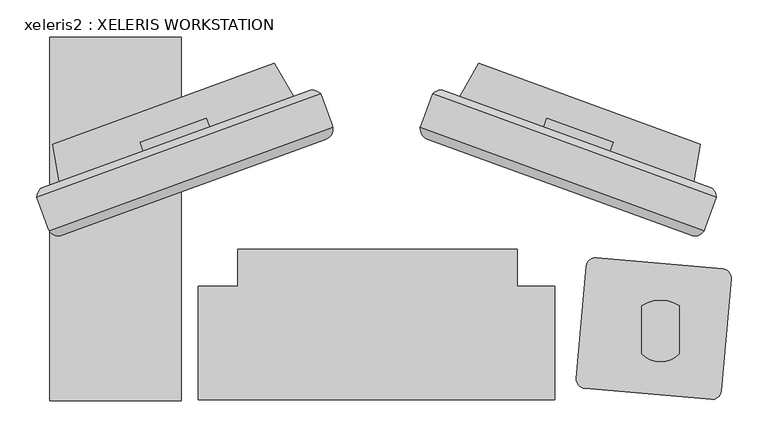
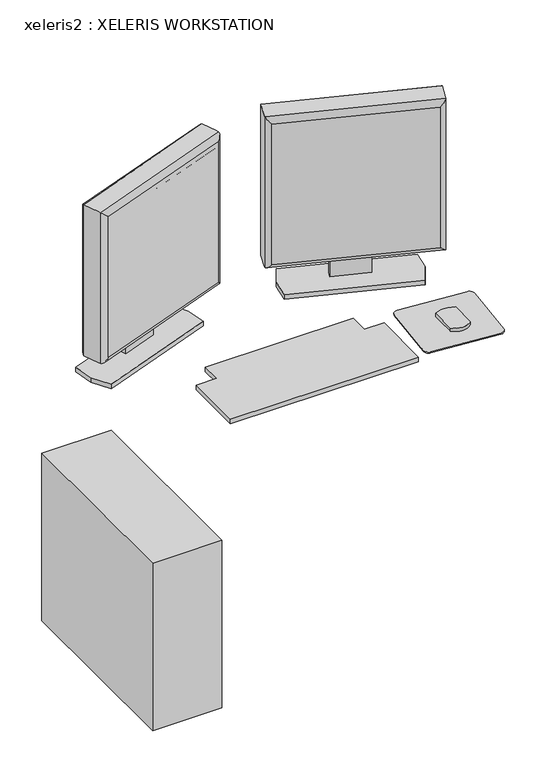
"""IFC4 building model written with IfcOpenShell, lengths in millimetres: proxy geometry, xeleris2 : XELERIS WORKSTATION."""

import ifcopenshell
import ifcopenshell.guid

model = None  # the IFC model being written
_history = None  # IfcOwnerHistory: only IFC2X3 demands one
_inside = {}  # id of a spatial element -> (the spatial element, [elements in it])
_under = {}  # id of a project, library or spatial element -> (it, [spatial elements below it])
_declared = {}  # id of a project -> (the project, [libraries it declares])
_typed = {}  # id of a type object -> (the type object, [elements of that type])
_made_of = {}  # id of a material, layer set ... -> (it, [elements and type objects made of it])


def new_model(schema):
    """Start an empty IFC model of exactly this schema.

    Asked for "IFC4X3", IfcOpenShell would pick the latest addendum, in which some entities
    have other attributes; the version numbers below select the first issue.
    IFC2X3 requires an IfcOwnerHistory on every rooted entity: one is made here for all.
    """
    global model, _history
    if schema == "IFC4X3":
        model = ifcopenshell.file(schema_version=(4, 3, 0, 0))
    else:
        model = ifcopenshell.file(schema=schema)
    _inside.clear()
    _under.clear()
    _declared.clear()
    _typed.clear()
    _made_of.clear()
    _history = None
    if model.schema == "IFC2X3":
        org = make("IfcOrganization", Name="unknown")
        user = make(
            "IfcPersonAndOrganization",
            ThePerson=make("IfcPerson", FamilyName="unknown"),
            TheOrganization=org,
        )
        app = make(
            "IfcApplication",
            ApplicationDeveloper=org,
            Version="unknown",
            ApplicationFullName="unknown",
            ApplicationIdentifier="unknown",
        )
        _history = make(
            "IfcOwnerHistory",
            OwningUser=user,
            OwningApplication=app,
            ChangeAction="ADDED",
            CreationDate=0,
        )
    return model


def make(cls, **values):
    """One entity of the class cls with the attributes given. An attribute that is None is left unset."""
    return model.create_entity(
        cls, **{name: value for name, value in values.items() if value is not None}
    )


def rooted(cls, **values):
    """An entity with a GlobalId (a new one), such as an element, a storey or a relation."""
    return make(cls, GlobalId=ifcopenshell.guid.new(), OwnerHistory=_history, **values)


def si_unit(unit_type, name, prefix=None):
    """IfcSIUnit, for example si_unit("LENGTHUNIT", "METRE", prefix="MILLI")."""
    return make("IfcSIUnit", UnitType=unit_type, Prefix=prefix, Name=name)


def assignment(units):
    """IfcUnitAssignment: the units of a project."""
    return None if units is None else make("IfcUnitAssignment", Units=units)


def point(xyz):
    """IfcCartesianPoint."""
    return None if xyz is None else make("IfcCartesianPoint", Coordinates=xyz)


def direction(xyz):
    """IfcDirection."""
    return None if xyz is None else make("IfcDirection", DirectionRatios=xyz)


def frame(location, z_axis=None, x_axis=None):
    """IfcAxis2Placement3D, a coordinate frame: its origin and axes. An axis left out is left unset."""
    return make(
        "IfcAxis2Placement3D",
        Location=point(location),
        Axis=direction(z_axis),
        RefDirection=direction(x_axis),
    )


def frame_2d(location, x_axis=None):
    """IfcAxis2Placement2D, a coordinate frame in the plane: its origin and x axis."""
    return make(
        "IfcAxis2Placement2D", Location=point(location), RefDirection=direction(x_axis)
    )


def origin():
    """The frame at (0, 0, 0) with its axes left unset."""
    return frame((0.0, 0.0, 0.0))


def origin_with_axes():
    """The frame at (0, 0, 0) with the z axis (0, 0, 1) and the x axis (1, 0, 0) written out."""
    return frame((0.0, 0.0, 0.0), z_axis=(0.0, 0.0, 1.0), x_axis=(1.0, 0.0, 0.0))


def place(relative_to, where):
    """IfcLocalPlacement: puts the frame where relative to a parent placement (None: the world)."""
    return make(
        "IfcLocalPlacement", PlacementRelTo=relative_to, RelativePlacement=where
    )


def context(
    kind, dimensions, precision=None, world=None, true_north=None, identifier=None
):
    """IfcGeometricRepresentationContext, for example the 3D "Model" context."""
    return make(
        "IfcGeometricRepresentationContext",
        ContextIdentifier=identifier,
        ContextType=kind,
        CoordinateSpaceDimension=dimensions,
        Precision=precision,
        WorldCoordinateSystem=world,
        TrueNorth=true_north,
    )


def project(units=None, contexts=None):
    """IfcProject with its units and contexts."""
    return rooted(
        "IfcProject",
        Name="project",
        RepresentationContexts=contexts,
        UnitsInContext=assignment(units),
    )


def spatial(cls, under=None, at=None, **own):
    """A site, building, storey or space (cls), placed at a placement, below another one or the project."""
    s = rooted(cls, ObjectPlacement=at, **own)
    if under is not None:
        _under.setdefault(under.id(), (under, []))[1].append(s)
    return s


def polyline(points):
    """IfcPolyline through the points."""
    return make("IfcPolyline", Points=[point(p) for p in points])


def circle_curve(where, radius):
    """IfcCircle in the frame where."""
    return make("IfcCircle", Position=where, Radius=radius)


def ellipse_curve(where, semi_axis1, semi_axis2):
    """IfcEllipse in the frame where."""
    return make(
        "IfcEllipse", Position=where, SemiAxis1=semi_axis1, SemiAxis2=semi_axis2
    )


def trimmed(basis, trim1, trim2, sense, master):
    """IfcTrimmedCurve: the piece of a basis curve between two trims."""
    return make(
        "IfcTrimmedCurve",
        BasisCurve=basis,
        Trim1=trim1,
        Trim2=trim2,
        SenseAgreement=sense,
        MasterRepresentation=master,
    )


def segment(curve, same_sense, transition):
    """IfcCompositeCurveSegment."""
    return make(
        "IfcCompositeCurveSegment",
        Transition=transition,
        SameSense=same_sense,
        ParentCurve=curve,
    )


def composite_curve(segments, self_intersect=None):
    """IfcCompositeCurve: segments joined end to end."""
    return make("IfcCompositeCurve", Segments=segments, SelfIntersect=self_intersect)


def outline(outer, holes=None, kind="AREA"):
    """IfcArbitraryClosedProfileDef: a profile drawn as a closed curve; with holes, ...WithVoids."""
    if holes is None:
        return make("IfcArbitraryClosedProfileDef", ProfileType=kind, OuterCurve=outer)
    return make(
        "IfcArbitraryProfileDefWithVoids",
        ProfileType=kind,
        OuterCurve=outer,
        InnerCurves=holes,
    )


def extrude(swept, where, along, depth):
    """IfcExtrudedAreaSolid: the profile swept, set in the frame where, extruded along a direction by depth."""
    return make(
        "IfcExtrudedAreaSolid",
        SweptArea=swept,
        Position=where,
        ExtrudedDirection=direction(along),
        Depth=depth,
    )


def shape(context_of_items, identifier, shape_type, items):
    """IfcShapeRepresentation: the items that make up one representation, for example the "Body"."""
    return make(
        "IfcShapeRepresentation",
        ContextOfItems=context_of_items,
        RepresentationIdentifier=identifier,
        RepresentationType=shape_type,
        Items=items,
    )


def source(mapping_origin, context_of_items, identifier, shape_type, items):
    """IfcRepresentationMap: a shape defined once, which mapped items show again and again."""
    return make(
        "IfcRepresentationMap",
        MappingOrigin=mapping_origin,
        MappedRepresentation=shape(context_of_items, identifier, shape_type, items),
    )


def transform(
    local_origin,
    x_axis=None,
    y_axis=None,
    z_axis=None,
    scale=None,
    scale2=None,
    scale3=None,
    uniform=True,
):
    """IfcCartesianTransformationOperator3D, or its non-uniform kind. x_axis, y_axis, z_axis: its Axis1, 2, 3."""
    if uniform:
        return make(
            "IfcCartesianTransformationOperator3D",
            Axis1=direction(x_axis),
            Axis2=direction(y_axis),
            LocalOrigin=point(local_origin),
            Scale=scale,
            Axis3=direction(z_axis),
        )
    return make(
        "IfcCartesianTransformationOperator3DnonUniform",
        Axis1=direction(x_axis),
        Axis2=direction(y_axis),
        LocalOrigin=point(local_origin),
        Scale=scale,
        Axis3=direction(z_axis),
        Scale2=scale2,
        Scale3=scale3,
    )


def mapped(mapping_source, mapping_target):
    """IfcMappedItem: shows the shape of a source again, moved by a transform."""
    return make(
        "IfcMappedItem", MappingSource=mapping_source, MappingTarget=mapping_target
    )


def made_of(thing, what):
    """Note that an element or type object is made of a material, layer set ...; save() writes the relation."""
    if what is not None:
        _made_of.setdefault(what.id(), (what, []))[1].append(thing)
    return thing


def element(
    cls,
    number,
    at=None,
    inside=None,
    cuts=None,
    type_object=None,
    material=None,
    context=None,
    identifier="Body",
    shape_type=None,
    held_by="IfcProductDefinitionShape",
    body=None,
    shapes=None,
    **own,
):
    """One element of the class cls, such as IfcWall. Its Tag is "e" and its number.

    at: its placement. inside: the storey or other place that contains it. cuts: it is an
    opening in that element (IfcRelVoidsElement). A single representation is given by context,
    identifier, shape_type and body (its items); several are given by shapes. held_by: the class
    of the entity that holds the representations. save() writes the other relations.
    """
    e = rooted(cls, Tag="e%d" % number, ObjectPlacement=at, **own)
    if body is not None:
        shapes = [shape(context, identifier, shape_type, body)]
    if shapes is not None:
        e.Representation = make(held_by, Representations=shapes)
    if inside is not None:
        _inside.setdefault(inside.id(), (inside, []))[1].append(e)
    if cuts is not None:
        rooted(
            "IfcRelVoidsElement", RelatingBuildingElement=cuts, RelatedOpeningElement=e
        )
    if type_object is not None:
        _typed.setdefault(type_object.id(), (type_object, []))[1].append(e)
    return made_of(e, material)


def aggregate(whole, parts):
    """IfcRelAggregates: a whole, such as a stair, and the parts it consists of."""
    return rooted("IfcRelAggregates", RelatingObject=whole, RelatedObjects=parts)


def save(model, path):
    """Write the relations noted so far, then the file.

    IfcRelAggregates (storeys below a building ...), IfcRelContainedInSpatialStructure (elements
    in a storey), IfcRelDefinesByType, IfcRelAssociatesMaterial and IfcRelDeclares: one each for
    every whole, place, type object, material and project.
    """
    for whole, parts in _under.values():
        aggregate(whole, parts)
    for where, things in _inside.values():
        rooted(
            "IfcRelContainedInSpatialStructure",
            RelatedElements=things,
            RelatingStructure=where,
        )
    for kind, things in _typed.values():
        rooted("IfcRelDefinesByType", RelatedObjects=things, RelatingType=kind)
    for what, things in _made_of.values():
        rooted("IfcRelAssociatesMaterial", RelatedObjects=things, RelatingMaterial=what)
    for by, libraries in _declared.values():
        rooted("IfcRelDeclares", RelatingContext=by, RelatedDefinitions=libraries)
    model.write(path)


def plane_surface(at):
    """IfcPlane: the flat surface through the origin of the frame at, square to its z axis."""
    return make("IfcPlane", Position=at)


def cylinder_surface(at, radius):
    """IfcCylindricalSurface: all points at the distance radius from the z axis of the frame at."""
    return make("IfcCylindricalSurface", Position=at, Radius=radius)


def advanced_brep(points, edges, surfaces, faces):
    """IfcAdvancedBrep: a solid bounded by faces that lie on surfaces and meet in shared edges.

    An edge is (start, end): straight between two places in points (the first is 0);
    or (start, end, curve); or (start, end, curve, False) where it runs against its curve.
    A face is (place in surfaces, loops), or (place, loops, False) where it looks against
    its surface's normal. A loop lists edges by number (the first is 1), with a minus sign
    where the edge is run from its end to its start. The first loop is the outer one.
    """
    corners = [point(p) for p in points]
    vertices = [make("IfcVertexPoint", VertexGeometry=c) for c in corners]
    made = []
    for start, end, *more in edges:
        made.append(
            make(
                "IfcEdgeCurve",
                EdgeStart=vertices[start],
                EdgeEnd=vertices[end],
                EdgeGeometry=more[0] if more else make("IfcPolyline", Points=[corners[start], corners[end]]),
                SameSense=more[1] if len(more) > 1 else True,
            )
        )
    hull = []
    for where, loops, *sense in faces:
        bounds = []
        for j, loop in enumerate(loops):
            ring = [make("IfcOrientedEdge", EdgeElement=made[abs(k) - 1], Orientation=k > 0) for k in loop]
            bounds.append(
                make(
                    "IfcFaceOuterBound" if j == 0 else "IfcFaceBound",
                    Bound=make("IfcEdgeLoop", EdgeList=ring),
                    Orientation=True,
                )
            )
        hull.append(make("IfcAdvancedFace", Bounds=bounds, FaceSurface=surfaces[where], SameSense=sense[0] if sense else True))
    return make("IfcAdvancedBrep", Outer=make("IfcClosedShell", CfsFaces=hull))


def xeleris2_xeleris_workstation_ebfd1f20(model_context):
    return source(origin(), model_context, "Body", "SolidModel", [
        advanced_brep(
        [(-90.9446481, -1035.6372466, 1267.46), (-105.6962097, -1076.1668289, 1267.46), (-107.405299, -1080.8625132, 1267.46), (276.8726013, -1220.7282306, 1267.46), (278.5816906, -1216.0325463, 1267.46), (293.3332522, -1175.502964, 1267.46), (293.3332522, -1175.502964, 857.8963264), (278.5816906, -1216.0325463, 857.8963264), (276.8726013, -1220.7282306, 857.8963264), (-107.405299, -1080.8625132, 857.8963264), (-105.6962097, -1076.1668289, 857.8963264), (-90.9446481, -1035.6372466, 857.8963264), (-79.1046522, -1030.1161658, 867.1339624), (-79.1046522, -1030.1161658, 1258.222364), (287.8121714, -1163.6629681, 1258.222364), (287.8121714, -1163.6629681, 867.1339624), (-98.1600178, -1096.8745469, 1253.294569), (-98.1600178, -1096.8745469, 872.0617574), (259.4967744, -1227.0509733, 872.060487), (259.4979681, -1227.0514078, 1253.294569)],
        [
            (0, 1),
            (1, 2),
            (2, 3),
            (3, 4),
            (4, 5),
            (5, 0),
            (6, 7),
            (7, 8),
            (8, 9),
            (9, 10),
            (10, 11),
            (11, 6),
            (12, 13),
            (13, 14),
            (14, 15),
            (15, 12),
            (0, 11),
            (9, 2),
            (16, 17),
            (17, 18),
            (18, 19),
            (19, 16),
            (3, 8),
            (6, 5),
            (12, 11, ellipse_curve(frame((-78.1538849, -1047.6111099, 874.0110147), z_axis=(-0.6644630243886689, 0.2418447626479841, 0.70710678118655), x_axis=(-0.6644630243886734, 0.24184476264798585, -0.707106781186545)), 24.7780962, 17.5207599)),
            (0, 13, ellipse_curve(frame((-78.1538849, -1047.6111099, 1251.3453117), z_axis=(-0.6644630243886734, 0.24184476264798593, -0.707106781186545), x_axis=(0.6644630243886689, -0.24184476264798418, -0.70710678118655)), 24.7780962, 17.5207599)),
            (16, 2, ellipse_curve(frame((-93.2407971, -1083.3590993, 1253.2958394), z_axis=(-0.6644630243886734, 0.24184476264798593, -0.707106781186545), x_axis=(0.6644630243886689, -0.24184476264798418, -0.70710678118655)), 20.3404059, 14.3828389)),
            (9, 17, ellipse_curve(frame((-93.2407971, -1083.3590993, 872.060487), z_axis=(-0.6644630243886689, 0.2418447626479841, 0.70710678118655), x_axis=(-0.6644630243886734, 0.24184476264798585, -0.707106781186545)), 20.3404059, 14.3828389)),
            (15, 6, ellipse_curve(frame((275.8383081, -1176.4537313, 874.0110147), z_axis=(-0.6644630243886736, 0.24184476264798574, -0.707106781186545), x_axis=(0.6644630243886689, -0.2418447626479842, -0.70710678118655)), 24.7780962, 17.5207599)),
            (8, 18, ellipse_curve(frame((264.4171888, -1213.5359602, 872.060487), z_axis=(-0.6644630243886736, 0.24184476264798574, -0.707106781186545), x_axis=(0.6644630243886689, -0.2418447626479842, -0.70710678118655)), 20.3404059, 14.3828389)),
            (14, 5, ellipse_curve(frame((275.8383081, -1176.4537313, 1251.3453117), z_axis=(0.6644630243886687, -0.2418447626479843, -0.70710678118655), x_axis=(0.6644630243886733, -0.24184476264798585, 0.707106781186545)), 24.7780962, 17.5207599)),
            (3, 19, ellipse_curve(frame((264.4171888, -1213.5359602, 1253.2958394), z_axis=(0.6644630243886687, -0.2418447626479843, -0.70710678118655), x_axis=(0.6644630243886733, -0.24184476264798585, 0.707106781186545)), 20.3404059, 14.3828389)),
        ],
        [
            plane_surface(frame((-83.011552, -1028.6941706, 1267.46), z_axis=(0.0, 0.0, 1.0000000000000002), x_axis=(-0.9396926207859057, 0.34202014332567654, 0.0))),
            plane_surface(frame((-83.011552, -1028.6941706, 857.8963264), z_axis=(0.0, 0.0, -1.0000000000000002), x_axis=(0.9396926207859057, -0.34202014332567654, 0.0))),
            plane_surface(frame((296.4927098, -1166.8224256, 1267.46), z_axis=(0.34202014332567654, 0.9396926207859057, 0.0), x_axis=(0.0, 0.0, -1.0))),
            plane_surface(frame((-87.7851906, -1026.9567082, 1267.46), z_axis=(-0.9396926207859045, 0.3420201433256795, 0.0), x_axis=(0.0, 0.0, -1.0))),
            plane_surface(frame((-111.469975, -1092.0301186, 1267.46), z_axis=(-0.34202014332567654, -0.9396926207859057, 0.0), x_axis=(0.0, 0.0, -1.0))),
            plane_surface(frame((272.8079254, -1231.895836, 1267.46), z_axis=(0.9396926207859042, -0.34202014332568037, 0.0), x_axis=(0.0, 0.0, -1.0))),
            cylinder_surface(frame((-78.1538849, -1047.6111099, 1267.46), z_axis=(0.0, 0.0, -1.0), x_axis=(0.3420201433256824, 0.9396926207859034, 0.0)), 17.5207599),
            cylinder_surface(frame((-93.2407971, -1083.3590993, 1267.46), z_axis=(0.0, 0.0, -1.0), x_axis=(0.3420201433256824, 0.9396926207859034, 0.0)), 14.3828389),
            cylinder_surface(frame((-93.2967386, -1042.0995619, 874.0110147), z_axis=(0.9396926207859034, -0.3420201433256825, 0.0), x_axis=(0.3420201433256825, 0.9396926207859034, 0.0)), 17.5207599),
            cylinder_surface(frame((-106.5507544, -1078.514671, 872.060487), z_axis=(0.9396926207859034, -0.3420201433256825, 0.0), x_axis=(0.3420201433256825, 0.9396926207859034, 0.0)), 14.3828389),
            cylinder_surface(frame((275.8383081, -1176.4537313, 857.8963264), z_axis=(0.0, 0.0, 1.0), x_axis=(0.3420201433256826, 0.9396926207859033, 0.0)), 17.5207599),
            cylinder_surface(frame((264.4171888, -1213.5359602, 857.8963264), z_axis=(0.0, 0.0, 1.0), x_axis=(0.3420201433256826, 0.9396926207859033, 0.0)), 14.3828389),
            cylinder_surface(frame((290.9811618, -1181.9652793, 1251.3453117), z_axis=(-0.9396926207859033, 0.3420201433256826, 0.0), x_axis=(0.3420201433256826, 0.9396926207859033, 0.0)), 17.5207599),
            cylinder_surface(frame((277.727146, -1218.3803884, 1253.2958394), z_axis=(-0.9396926207859033, 0.3420201433256826, 0.0), x_axis=(0.3420201433256826, 0.9396926207859033, 0.0)), 14.3828389),
        ],
        [
            (0, [[1, 2, 3, 4, 5, 6]]),
            (1, [[7, 8, 9, 10, 11, 12]]),
            (2, [[13, 14, 15, 16]]),
            (3, [[-1, 17, -11, -10, 18, -2]]),
            (4, [[19, 20, 21, 22]]),
            (5, [[-5, -4, 23, -8, -7, 24]]),
            (6, [[25, -17, 26, -13]]),
            (7, [[27, -18, 28, -19]]),
            (8, [[-25, -16, 29, -12]]),
            (9, [[30, -20, -28, -9]]),
            (10, [[-29, -15, 31, -24]]),
            (11, [[32, -21, -30, -23]]),
            (12, [[-26, -6, -31, -14]]),
            (13, [[-27, -22, -32, -3]]),
        ],
    ),
        extrude(outline(polyline([(-85.5791508, -1095.1602957), (250.9623644, -1217.6513898), (248.9397328, -1223.2085244), (-87.6017824, -1100.7174302), (-85.5791508, -1095.1602957)])), frame((0.0, 0.0, 883.2963264), z_axis=(0.0, 0.0, 1.0), x_axis=(1.0, 0.0, 0.0)), (0.0, 0.0, 1.0), 358.7636736),
        extrude(outline(polyline([(0.0, -12.6811713), (0.0, 0.0), (216.7454432, 0.0), (216.7454432, -2.7372324), (229.4454432, -2.7372324), (229.4454432, 0.0), (309.6640325, 0.0), (309.6640325, -12.6811713), (0.0, -12.6811713)])), frame((149.1066207, -1113.1782763, 1083.8794056), z_axis=(-0.939692620785905, 0.3420201433256782, 0.0), x_axis=(0.0, 0.0, -1.0)), (0.0, 0.0, 1.0), 95.25),
        advanced_brep(
        [(-626.7210308, -1175.502964, 1267.46), (-611.9694692, -1216.0325463, 1267.46), (-610.2603799, -1220.7282306, 1267.46), (-225.9824796, -1080.8625132, 1267.46), (-227.6915689, -1076.1668289, 1267.46), (-242.4431304, -1035.6372466, 1267.46), (-242.4431304, -1035.6372466, 857.8963264), (-227.6915689, -1076.1668289, 857.8963264), (-225.9824796, -1080.8625132, 857.8963264), (-610.2603799, -1220.7282306, 857.8963264), (-611.9694692, -1216.0325463, 857.8963264), (-626.7210308, -1175.502964, 857.8963264), (-621.19995, -1163.6629681, 867.1339624), (-621.19995, -1163.6629681, 1258.222364), (-254.2831264, -1030.1161658, 1258.222364), (-254.2831264, -1030.1161658, 867.1339624), (-592.8857467, -1227.0514078, 1253.294569), (-592.8857467, -1227.0514078, 872.0617574), (-235.2289546, -1096.8749814, 872.060487), (-235.2277608, -1096.8745469, 1253.294569)],
        [
            (0, 1),
            (1, 2),
            (2, 3),
            (3, 4),
            (4, 5),
            (5, 0),
            (6, 7),
            (7, 8),
            (8, 9),
            (9, 10),
            (10, 11),
            (11, 6),
            (12, 13),
            (13, 14),
            (14, 15),
            (15, 12),
            (0, 11),
            (9, 2),
            (16, 17),
            (17, 18),
            (18, 19),
            (19, 16),
            (3, 8),
            (6, 5),
            (12, 11, ellipse_curve(frame((-609.2260867, -1176.4537313, 874.0110147), z_axis=(-0.6644630243886763, -0.24184476264796353, 0.70710678118655), x_axis=(-0.6644630243886809, -0.24184476264796534, -0.707106781186545)), 24.7780962, 17.5207599)),
            (0, 13, ellipse_curve(frame((-609.2260867, -1176.4537313, 1251.3453117), z_axis=(-0.6644630243886809, -0.24184476264796553, -0.707106781186545), x_axis=(0.6644630243886762, 0.24184476264796365, -0.70710678118655)), 24.7780962, 17.5207599)),
            (16, 2, ellipse_curve(frame((-597.8049673, -1213.5359602, 1253.2958394), z_axis=(-0.6644630243886809, -0.24184476264796553, -0.707106781186545), x_axis=(0.6644630243886762, 0.24184476264796365, -0.70710678118655)), 20.3404059, 14.3828389)),
            (9, 17, ellipse_curve(frame((-597.8049673, -1213.5359602, 872.060487), z_axis=(-0.6644630243886763, -0.24184476264796353, 0.70710678118655), x_axis=(-0.6644630243886809, -0.24184476264796534, -0.707106781186545)), 20.3404059, 14.3828389)),
            (15, 6, ellipse_curve(frame((-255.2338937, -1047.6111099, 874.0110147), z_axis=(-0.664463024388681, -0.24184476264796523, -0.7071067811865449), x_axis=(0.6644630243886763, 0.2418447626479637, -0.7071067811865499)), 24.7780962, 17.5207599)),
            (8, 18, ellipse_curve(frame((-240.1469815, -1083.3590993, 872.060487), z_axis=(-0.664463024388681, -0.24184476264796523, -0.7071067811865449), x_axis=(0.6644630243886763, 0.2418447626479637, -0.7071067811865499)), 20.3404059, 14.3828389)),
            (14, 5, ellipse_curve(frame((-255.2338937, -1047.6111099, 1251.3453117), z_axis=(0.6644630243886762, 0.24184476264796384, -0.7071067811865498), x_axis=(0.6644630243886805, 0.24184476264796526, 0.7071067811865455)), 24.7780962, 17.5207599)),
            (3, 19, ellipse_curve(frame((-240.1469815, -1083.3590993, 1253.2958394), z_axis=(0.6644630243886762, 0.24184476264796384, -0.7071067811865498), x_axis=(0.6644630243886805, 0.24184476264796526, 0.7071067811865455)), 20.3404059, 14.3828389)),
        ],
        [
            plane_surface(frame((-625.1068499, -1165.0849633, 1267.46), z_axis=(0.0, 0.0, 1.0000000000000002), x_axis=(-0.9396926207859119, -0.3420201433256595, 0.0))),
            plane_surface(frame((-625.1068499, -1165.0849633, 857.8963264), z_axis=(0.0, 0.0, -1.0000000000000002), x_axis=(0.9396926207859119, 0.3420201433256595, 0.0))),
            plane_surface(frame((-245.602588, -1026.9567082, 1267.46), z_axis=(-0.3420201433256595, 0.9396926207859119, 0.0), x_axis=(0.0, 0.0, -1.0))),
            plane_surface(frame((-629.8804884, -1166.8224256, 1267.46), z_axis=(-0.9396926207859122, -0.34202014332565855, 0.0), x_axis=(0.0, 0.0, -1.0))),
            plane_surface(frame((-606.1957039, -1231.895836, 1267.46), z_axis=(0.3420201433256596, -0.9396926207859118, 0.0), x_axis=(0.0, 0.0, -1.0))),
            plane_surface(frame((-221.9178036, -1092.0301186, 1267.46), z_axis=(0.9396926207859126, 0.3420201433256572, 0.0), x_axis=(0.0, 0.0, -1.0))),
            cylinder_surface(frame((-609.2260867, -1176.4537313, 1267.46), z_axis=(0.0, 0.0, -1.0000000000000002), x_axis=(-0.34202014332565345, 0.9396926207859141, 0.0)), 17.5207599),
            cylinder_surface(frame((-597.8049673, -1213.5359602, 1267.46), z_axis=(0.0, 0.0, -1.0000000000000002), x_axis=(-0.34202014332565345, 0.9396926207859141, 0.0)), 14.3828389),
            cylinder_surface(frame((-624.3689404, -1181.9652793, 874.0110147), z_axis=(0.9396926207859141, 0.3420201433256535, 0.0), x_axis=(-0.3420201433256535, 0.9396926207859141, 0.0)), 17.5207599),
            cylinder_surface(frame((-611.1149246, -1218.3803884, 872.060487), z_axis=(0.9396926207859141, 0.3420201433256535, 0.0), x_axis=(-0.3420201433256535, 0.9396926207859141, 0.0)), 14.3828389),
            cylinder_surface(frame((-255.2338937, -1047.6111099, 857.8963264), z_axis=(0.0, 0.0, 0.9999999999999999), x_axis=(-0.34202014332565367, 0.9396926207859138, 0.0)), 17.5207599),
            cylinder_surface(frame((-240.1469815, -1083.3590993, 857.8963264), z_axis=(0.0, 0.0, 0.9999999999999999), x_axis=(-0.34202014332565367, 0.9396926207859138, 0.0)), 14.3828389),
            cylinder_surface(frame((-240.09104, -1042.0995619, 1251.3453117), z_axis=(-0.9396926207859139, -0.34202014332565367, 0.0), x_axis=(-0.34202014332565367, 0.9396926207859139, 0.0)), 17.5207599),
            cylinder_surface(frame((-226.8370242, -1078.514671, 1253.2958394), z_axis=(-0.9396926207859139, -0.34202014332565367, 0.0), x_axis=(-0.34202014332565367, 0.9396926207859139, 0.0)), 14.3828389),
        ],
        [
            (0, [[1, 2, 3, 4, 5, 6]]),
            (1, [[7, 8, 9, 10, 11, 12]]),
            (2, [[13, 14, 15, 16]]),
            (3, [[-1, 17, -11, -10, 18, -2]]),
            (4, [[19, 20, 21, 22]]),
            (5, [[-5, -4, 23, -8, -7, 24]]),
            (6, [[25, -17, 26, -13]]),
            (7, [[27, -18, 28, -19]]),
            (8, [[-25, -16, 29, -12]]),
            (9, [[30, -20, -28, -9]]),
            (10, [[-29, -15, 31, -24]]),
            (11, [[32, -21, -30, -23]]),
            (12, [[-26, -6, -31, -14]]),
            (13, [[-27, -22, -32, -3]]),
        ],
    ),
        extrude(outline(polyline([(-584.350143, -1217.6513898), (-247.8086277, -1095.1602957), (-245.7859962, -1100.7174302), (-582.3275114, -1223.2085244), (-584.350143, -1217.6513898)])), frame((0.0, 0.0, 883.2963264), z_axis=(0.0, 0.0, 1.0), x_axis=(1.0, 0.0, 0.0)), (0.0, 0.0, 1.0), 358.7636736),
        extrude(outline(polyline([(0.0, -12.6811713), (0.0, 0.0), (309.6640325, 0.0), (309.6640325, -12.6811713), (229.4454432, -12.6811713), (229.4454432, -9.9439389), (216.7454432, -9.9439389), (216.7454432, -12.6811713), (0.0, -12.6811713)])), frame((-486.8316153, -1101.2618732, 1083.8794056), z_axis=(0.9396926207859116, 0.34202014332565966, 0.0), x_axis=(0.0, 0.0, -1.0)), (0.0, 0.0, 1.0), 95.25),
        extrude(outline(polyline([(-54.131039, -1039.2058176), (-28.0769933, -994.3581828), (271.7075053, -1103.470817), (262.8385583, -1154.5733162), (236.7845125, -1199.4209511), (-62.9999861, -1090.3083169), (-54.131039, -1039.2058176)])), frame((0.0, 0.0, 762.0), z_axis=(0.0, 0.0, 1.0), x_axis=(1.0, 0.0, 0.0)), (0.0, 0.0, 1.0), 12.2153731),
        extrude(outline(polyline([(-609.0839634, -1451.0462622), (-609.0839634, -958.4935754), (-431.2839634, -958.4935754), (-431.2839634, -1451.0462622), (-609.0839634, -1451.0462622)])), origin_with_axes(), (0.0, 0.0, 1.0), 454.66),
        extrude(outline(composite_curve([segment(trimmed(circle_curve(frame_2d((129.8692507, -1269.9681044)), 12.7), [point((117.2175781, -1268.8612264))], [point((130.9761287, -1257.3164317))], False, "CARTESIAN"), True, "CONTINUOUS"), segment(polyline([(130.9761287, -1257.3164317), (301.7737097, -1272.2592838)]), True, "CONTINUOUS"), segment(trimmed(circle_curve(frame_2d((300.6668317, -1284.9109564)), 12.7), [point((301.7737097, -1272.2592838))], [point((313.3185044, -1286.0178344))], False, "CARTESIAN"), True, "CONTINUOUS"), segment(polyline([(313.3185044, -1286.0178344), (300.0359692, -1437.8379064)]), True, "CONTINUOUS"), segment(trimmed(circle_curve(frame_2d((287.3842965, -1436.7310284)), 12.7), [point((300.0359692, -1437.8379064))], [point((286.2774186, -1449.3827011))], False, "CARTESIAN"), True, "CONTINUOUS"), segment(polyline([(286.2774186, -1449.3827011), (115.4798376, -1434.439849)]), True, "CONTINUOUS"), segment(trimmed(circle_curve(frame_2d((116.5867155, -1421.7881763)), 12.7), [point((115.4798376, -1434.439849))], [point((103.9350429, -1420.6812984))], False, "CARTESIAN"), True, "CONTINUOUS"), segment(polyline([(103.9350429, -1420.6812984), (117.2175781, -1268.8612264)]), True, "CONTINUOUS")], self_intersect=False)), frame((0.0, 0.0, 762.0), z_axis=(0.0, 0.0, 1.0), x_axis=(1.0, 0.0, 0.0)), (0.0, 0.0, 1.0), 2.9133962),
        extrude(outline(composite_curve([segment(trimmed(circle_curve(frame_2d((217.8119351, -1362.8247323)), 35.5491443), [point((243.2119351, -1387.6960342))], [point((192.4119351, -1387.6960342))], False, "CARTESIAN"), True, "CONTINUOUS"), segment(polyline([(192.4119351, -1387.6960342), (192.4119351, -1322.4006875)]), True, "CONTINUOUS"), segment(trimmed(circle_curve(frame_2d((217.8119351, -1360.5781006)), 45.8549329), [point((192.4119351, -1322.4006875))], [point((243.2119351, -1322.4006875))], False, "CARTESIAN"), True, "CONTINUOUS"), segment(polyline([(243.2119351, -1322.4006875), (243.2119351, -1387.6960342)]), True, "CONTINUOUS")], self_intersect=False)), frame((0.0, 0.0, 764.9133962), z_axis=(0.0, 0.0, 1.0), x_axis=(1.0, 0.0, 0.0)), (0.0, 0.0, 1.0), 9.3019768),
        extrude(outline(polyline([(-596.2263368, -1154.5733162), (-605.0952839, -1103.470817), (-305.3107853, -994.3581828), (-279.2567395, -1039.2058176), (-270.3877925, -1090.3083169), (-570.1722911, -1199.4209511), (-596.2263368, -1154.5733162)])), frame((0.0, 0.0, 762.0), z_axis=(0.0, 0.0, 1.0), x_axis=(1.0, 0.0, 0.0)), (0.0, 0.0, 1.0), 12.2153731),
        extrude(outline(polyline([(23.9762729, -1246.2310284), (23.9762729, -1296.2706962), (74.641434, -1296.2706962), (74.641434, -1449.4310284), (-407.958566, -1449.4310284), (-407.958566, -1296.2706962), (-354.9110189, -1296.2706962), (-354.9110189, -1246.2310284), (23.9762729, -1246.2310284)])), frame((0.0, 0.0, 762.0), z_axis=(0.0, 0.0, 1.0), x_axis=(1.0, 0.0, 0.0)), (0.0, 0.0, 1.0), 12.2153731),
    ])


if __name__ == "__main__":
    model = new_model("IFC4")
    model_context = context("Model", 3, world=origin())
    ifc_project = project(units=[si_unit("LENGTHUNIT", "METRE", prefix="MILLI")], contexts=[model_context])
    site = spatial("IfcSite", under=ifc_project)
    building = spatial("IfcBuilding", under=site)
    placement = place(None, origin())
    xeleris2_xeleris_workstation_shape = xeleris2_xeleris_workstation_ebfd1f20(model_context)
    element("IfcBuildingElementProxy", 1, Name="xeleris2 : XELERIS WORKSTATION", ObjectType="xeleris2 : XELERIS WORKSTATION", at=placement, inside=building, context=model_context, shape_type="MappedRepresentation", body=[
        mapped(xeleris2_xeleris_workstation_shape, transform((0.0, 0.0, 0.0), x_axis=(1.0, 0.0, 0.0), y_axis=(0.0, 1.0, 0.0), z_axis=(0.0, 0.0, 1.0))),
    ])
    save(model, "model.ifc")
